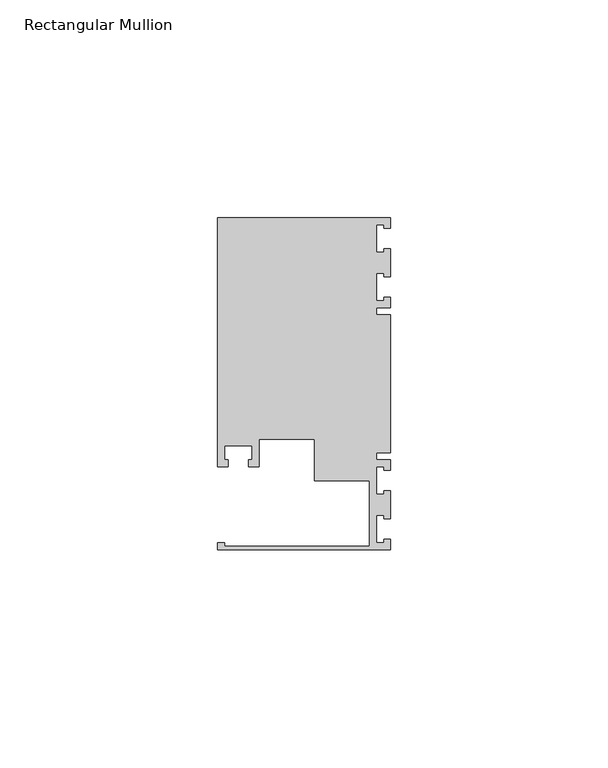
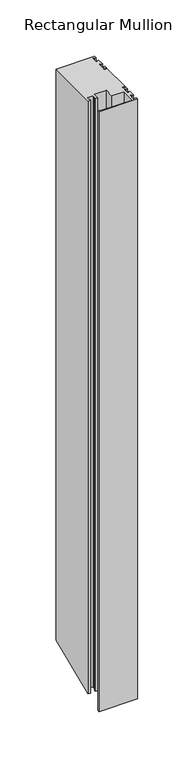
"""IFC4 building model written with IfcOpenShell, lengths in millimetres: member geometry, Rectangular Mullion."""

from ifc_helpers import new_model, si_unit, origin, place, context, project, spatial, faceted_brep, source, transform, mapped, element, save


def rectangular_mullion_3611c876(model_context):
    return source(origin(), model_context, "Body", "Brep", [
        faceted_brep([(0.0, -38.1, 0.0), (0.0, -35.71875, 0.0), (-1.4999946, -35.71875, 0.0), (-1.4999946, -36.5125, 0.0), (-3.175, -36.5125, 0.0), (-3.175, -30.1625, 0.0), (-1.4999946, -30.1625, 0.0), (-1.4999946, -30.95625, 0.0), (0.0, -30.95625, 0.0), (0.0, -24.60625, 0.0), (-1.4999946, -24.60625, 0.0), (-1.4999946, -25.4, 0.0), (-3.175, -25.4, 0.0), (-3.175, -19.05, 0.0), (-1.4999946, -19.05, 0.0), (-1.4999946, -19.84375, 0.0), (0.0, -19.84375, 0.0), (0.0, -17.4625, 0.0), (-3.175, -17.4625, 0.0), (-3.175, -15.875, 0.0), (0.0, -15.875, 0.0), (0.0, 15.875, 0.0), (-3.175, 15.875, 0.0), (-3.175, 17.4625, 0.0), (0.0, 17.4625, 0.0), (0.0, 19.84375, 0.0), (-1.4999946, 19.84375, 0.0), (-1.4999946, 19.05, 0.0), (-3.175, 19.05, 0.0), (-3.175, 25.4, 0.0), (-1.4999946, 25.4, 0.0), (-1.4999946, 24.60625, 0.0), (0.0, 24.60625, 0.0), (0.0, 30.95625, 0.0), (-1.4999946, 30.95625, 0.0), (-1.4999946, 30.1625, 0.0), (-3.175, 30.1625, 0.0), (-3.175, 36.5125, 0.0), (-1.4999946, 36.5125, 0.0), (-1.4999946, 35.71875, 0.0), (0.0, 35.71875, 0.0), (0.0, 38.1, 0.0), (-39.6875, 38.1, 0.0), (-39.6875, -19.05, 0.0), (-37.30625, -19.05, 0.0), (-37.30625, -17.4625, 0.0), (-38.1, -17.4625, 0.0), (-38.1, -14.2875, 0.0), (-31.75, -14.2875, 0.0), (-31.75, -17.4625, 0.0), (-32.54375, -17.4625, 0.0), (-32.54375, -19.05, 0.0), (-30.1625, -19.05, 0.0), (-30.1625, -12.6999969, 0.0), (-17.4625, -12.6999969, 0.0), (-17.4625, -22.225, 0.0), (-4.8585733, -22.225, 0.0), (-4.8585733, -37.30625, 0.0), (-38.1, -37.30625, 0.0), (-38.1, -36.5125, 0.0), (-39.6875, -36.5125, 0.0), (-39.6875, -38.1, 0.0), (0.0, -38.1, -650.7815367), (0.0, -35.71875, -649.7951907), (-1.4999946, -35.71875, -649.7951907), (-1.4999946, -36.5125, -650.1239727), (-3.175, -36.5125, -650.1239727), (-3.175, -30.1625, -647.4937166), (-1.4999946, -30.1625, -647.4937166), (-1.4999946, -30.95625, -647.8224986), (0.0, -30.95625, -647.8224986), (0.0, -24.60625, -645.1922425), (-1.4999946, -24.60625, -645.1922425), (-1.4999946, -25.4, -645.5210245), (-3.175, -25.4, -645.5210245), (-3.175, -19.05, -642.8907684), (-1.4999946, -19.05, -642.8907684), (-1.4999946, -19.84375, -643.2195504), (0.0, -19.84375, -643.2195504), (0.0, -17.4625, -642.2332043), (-3.175, -17.4625, -642.2332043), (-3.175, -15.875, -641.5756403), (0.0, -15.875, -641.5756403), (0.0, 15.875, -628.4243597), (-3.175, 15.875, -628.4243597), (-3.175, 17.4625, -627.7667957), (0.0, 17.4625, -627.7667957), (0.0, 19.84375, -626.7804496), (-1.4999946, 19.84375, -626.7804496), (-1.4999946, 19.05, -627.1092316), (-3.175, 19.05, -627.1092316), (-3.175, 25.4, -624.4789755), (-1.4999946, 25.4, -624.4789755), (-1.4999946, 24.60625, -624.8077575), (0.0, 24.60625, -624.8077575), (0.0, 30.95625, -622.1775014), (-1.4999946, 30.95625, -622.1775014), (-1.4999946, 30.1625, -622.5062834), (-3.175, 30.1625, -622.5062834), (-3.175, 36.5125, -619.8760273), (-1.4999946, 36.5125, -619.8760273), (-1.4999946, 35.71875, -620.2048093), (0.0, 35.71875, -620.2048093), (0.0, 38.1, -619.2184633), (-39.6875, 38.1, -619.2184633), (-39.6875, -19.05, -642.8907684), (-37.30625, -19.05, -642.8907684), (-37.30625, -17.4625, -642.2332043), (-38.1, -17.4625, -642.2332043), (-38.1, -14.2875, -640.9180763), (-31.75, -14.2875, -640.9180763), (-31.75, -17.4625, -642.2332043), (-32.54375, -17.4625, -642.2332043), (-32.54375, -19.05, -642.8907684), (-30.1625, -19.05, -642.8907684), (-30.1625, -12.6999969, -640.260511), (-17.4625, -12.6999969, -640.260511), (-17.4625, -22.225, -644.2058964), (-4.8585733, -22.225, -644.2058964), (-4.8585733, -37.30625, -650.4527547), (-38.1, -37.30625, -650.4527547), (-38.1, -36.5125, -650.1239727), (-39.6875, -36.5125, -650.1239727), (-39.6875, -38.1, -650.7815367)], [[[0, 1, 2, 3, 4, 5, 6, 7, 8, 9, 10, 11, 12, 13, 14, 15, 16, 17, 18, 19, 20, 21, 22, 23, 24, 25, 26, 27, 28, 29, 30, 31, 32, 33, 34, 35, 36, 37, 38, 39, 40, 41, 42, 43, 44, 45, 46, 47, 48, 49, 50, 51, 52, 53, 54, 55, 56, 57, 58, 59, 60, 61]], [[1, 0, 62, 63]], [[2, 1, 63, 64]], [[3, 2, 64, 65]], [[4, 3, 65, 66]], [[5, 4, 66, 67]], [[6, 5, 67, 68]], [[7, 6, 68, 69]], [[8, 7, 69, 70]], [[9, 8, 70, 71]], [[10, 9, 71, 72]], [[11, 10, 72, 73]], [[12, 11, 73, 74]], [[13, 12, 74, 75]], [[14, 13, 75, 76]], [[15, 14, 76, 77]], [[16, 15, 77, 78]], [[17, 16, 78, 79]], [[18, 17, 79, 80]], [[19, 18, 80, 81]], [[20, 19, 81, 82]], [[21, 20, 82, 83]], [[22, 21, 83, 84]], [[23, 22, 84, 85]], [[24, 23, 85, 86]], [[25, 24, 86, 87]], [[26, 25, 87, 88]], [[27, 26, 88, 89]], [[28, 27, 89, 90]], [[29, 28, 90, 91]], [[30, 29, 91, 92]], [[31, 30, 92, 93]], [[32, 31, 93, 94]], [[33, 32, 94, 95]], [[34, 33, 95, 96]], [[35, 34, 96, 97]], [[36, 35, 97, 98]], [[37, 36, 98, 99]], [[38, 37, 99, 100]], [[39, 38, 100, 101]], [[40, 39, 101, 102]], [[41, 40, 102, 103]], [[42, 41, 103, 104]], [[43, 42, 104, 105]], [[44, 43, 105, 106]], [[45, 44, 106, 107]], [[46, 45, 107, 108]], [[47, 46, 108, 109]], [[48, 47, 109, 110]], [[49, 48, 110, 111]], [[50, 49, 111, 112]], [[51, 50, 112, 113]], [[52, 51, 113, 114]], [[53, 52, 114, 115]], [[54, 53, 115, 116]], [[55, 54, 116, 117]], [[56, 55, 117, 118]], [[57, 56, 118, 119]], [[58, 57, 119, 120]], [[59, 58, 120, 121]], [[60, 59, 121, 122]], [[61, 60, 122, 123]], [[0, 61, 123, 62]], [[62, 123, 122, 121, 120, 119, 118, 117, 116, 115, 114, 113, 112, 111, 110, 109, 108, 107, 106, 105, 104, 103, 102, 101, 100, 99, 98, 97, 96, 95, 94, 93, 92, 91, 90, 89, 88, 87, 86, 85, 84, 83, 82, 81, 80, 79, 78, 77, 76, 75, 74, 73, 72, 71, 70, 69, 68, 67, 66, 65, 64, 63]]]),
    ])


if __name__ == "__main__":
    model = new_model("IFC4")
    model_context = context("Model", 3, world=origin())
    ifc_project = project(units=[si_unit("LENGTHUNIT", "METRE", prefix="MILLI")], contexts=[model_context])
    site = spatial("IfcSite", under=ifc_project)
    building = spatial("IfcBuilding", under=site)
    placement = place(None, origin())
    rectangular_mullion_shape = rectangular_mullion_3611c876(model_context)
    element("IfcMember", 1, ObjectType="Rectangular Mullion", at=placement, inside=building, context=model_context, shape_type="MappedRepresentation", body=[
        mapped(rectangular_mullion_shape, transform((0.0, 0.0, 0.0), x_axis=(1.0, 0.0, 0.0), y_axis=(0.0, 1.0, 0.0), z_axis=(0.0, 0.0, 1.0))),
    ])
    save(model, "model.ifc")
